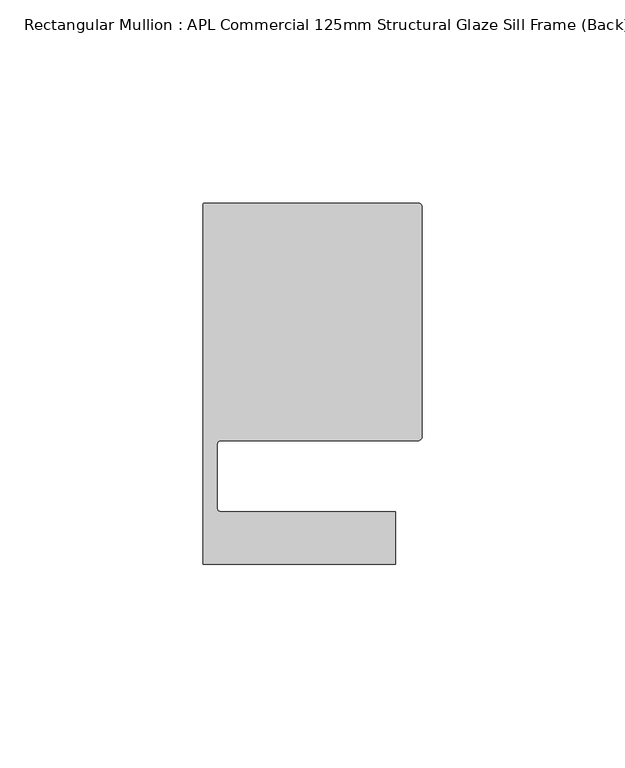
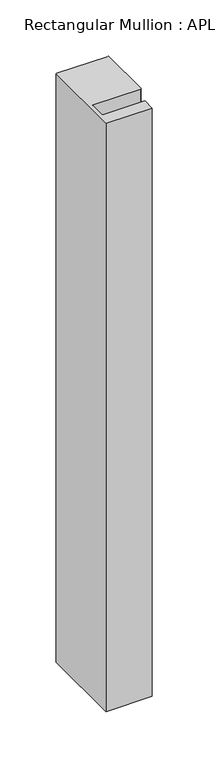
"""IFC4 building model written with IfcOpenShell, lengths in millimetres: member geometry, Rectangular Mullion : APL Commercial 125mm Structural Glaze Sill Frame (Back)."""

from ifc_helpers import new_model, si_unit, frame, origin, place, context, project, spatial, polyline, circle_curve, source, transform, mapped, element, save
from ifc_brep_helpers import plane_surface, cylinder_surface, revolved_surface, advanced_brep


def rectangular_mullion_apl_commercial_125mm_structural_glaze_574edb0e(model_context):
    return source(origin(), model_context, "Body", "AdvancedBrep", [
        advanced_brep(
        [(-53.5000029, 104.0, 0.0), (-54.0000029, 103.5, 0.0), (-54.0000029, 15.0004332, 0.0), (-6.5000029, 15.0004332, 0.0), (-6.5000029, 28.0004332, 0.0), (-49.5000029, 28.0004332, 0.0), (-50.5000029, 29.0004332, 0.0), (-50.5000029, 44.5010268, 0.0), (-49.5000004, 45.5010268, 0.0), (-1.0, 45.5010268, 0.0), (0.0, 46.5010268, 0.0), (0.0, 103.0, 0.0), (-1.0000025, 104.0, 0.0), (-53.5000029, 104.0, -638.9872059), (-1.0000025, 104.0, -638.9872059), (-2.5e-06, 103.0, -638.9872059), (0.0, 46.5010268, -638.9872059), (-1.0, 45.5010268, -638.9872059), (-49.5000004, 45.5010268, -638.9872059), (-50.5000004, 44.5010268, -638.9872059), (-50.5000029, 29.0004332, -638.9872059), (-49.5000029, 28.0004332, -638.9872059), (-6.5000029, 28.0004332, -638.9872059), (-6.5000029, 15.0004332, -638.9872059), (-54.0000029, 15.0004332, -638.9872059), (-54.0000029, 103.5, -638.9872059)],
        [
            (0, 1, circle_curve(frame((-53.5000029, 103.5, 0.0), z_axis=(0.0, 0.0, 1.0), x_axis=(0.0, 1.0, 0.0)), 0.5)),
            (1, 2),
            (2, 3),
            (3, 4),
            (4, 5),
            (5, 6, circle_curve(frame((-49.5000029, 29.0004332, 0.0), z_axis=(0.0, 0.0, -1.0), x_axis=(0.0, -1.0, 0.0)), 1.0)),
            (6, 7),
            (7, 8, circle_curve(frame((-49.5000004, 44.5010268, 0.0), z_axis=(0.0, 0.0, -1.0), x_axis=(-0.9999999999998819, 4.863123717036027e-07, 0.0)), 1.0)),
            (8, 9),
            (9, 10, circle_curve(frame((-1.0, 46.5010268, 0.0), z_axis=(0.0, 0.0, 1.0), x_axis=(0.0, -1.0, 0.0)), 1.0)),
            (10, 11),
            (11, 12, circle_curve(frame((-1.0000025, 103.0, 0.0), z_axis=(0.0, 0.0, 1.0), x_axis=(0.9999999999996143, 8.78371761103865e-07, 0.0)), 1.0)),
            (12, 0),
            (13, 14),
            (14, 15, circle_curve(frame((-1.0000025, 103.0, -638.9872059), z_axis=(0.0, 0.0, -1.0), x_axis=(0.9999999999996143, 8.78371761103865e-07, 0.0)), 1.0)),
            (15, 16),
            (16, 17, circle_curve(frame((-1.0, 46.5010268, -638.9872059), z_axis=(0.0, 0.0, -1.0), x_axis=(0.0, -1.0, 0.0)), 1.0)),
            (17, 18),
            (18, 19, circle_curve(frame((-49.5000004, 44.5010268, -638.9872059), z_axis=(0.0, 0.0, 1.0), x_axis=(-0.9999999999998819, 4.863123717036027e-07, 0.0)), 1.0)),
            (19, 20),
            (20, 21, circle_curve(frame((-49.5000029, 29.0004332, -638.9872059), z_axis=(0.0, 0.0, 1.0), x_axis=(0.0, -1.0, 0.0)), 1.0)),
            (21, 22),
            (22, 23),
            (23, 24),
            (24, 25),
            (25, 13, circle_curve(frame((-53.5000029, 103.5, -638.9872059), z_axis=(0.0, 0.0, -1.0), x_axis=(0.0, 1.0, 0.0)), 0.5)),
            (0, 13),
            (25, 1),
            (24, 2),
            (23, 3),
            (22, 4),
            (21, 5),
            (20, 6),
            (19, 7),
            (18, 8),
            (17, 9),
            (16, 10),
            (15, 11),
            (14, 12),
        ],
        [
            plane_surface(frame((0.0, -116.986179, 0.0), z_axis=(0.0, 0.0, 1.0), x_axis=(-1.0, 0.0, 0.0))),
            plane_surface(frame((0.0, -116.986179, -638.9872059), z_axis=(0.0, 0.0, -1.0), x_axis=(-1.0, 0.0, 0.0))),
            cylinder_surface(frame((-53.5000029, 103.5, 0.0), z_axis=(0.0, 0.0, 1.0), x_axis=(0.0, 1.0, 0.0)), 0.5),
            plane_surface(frame((-54.0000029, 103.5, 0.0), z_axis=(-1.0, 0.0, 0.0), x_axis=(0.0, 0.0, -1.0))),
            plane_surface(frame((-54.0000029, 15.0004332, 0.0), z_axis=(0.0, -1.0, 0.0), x_axis=(0.0, 0.0, -1.0))),
            plane_surface(frame((-6.5000029, 15.0004332, 0.0), z_axis=(1.0, 0.0, 0.0), x_axis=(0.0, 0.0, -1.0))),
            plane_surface(frame((-6.5000029, 28.0004332, 0.0), z_axis=(0.0, 1.0, 0.0), x_axis=(0.0, 0.0, -1.0))),
            revolved_surface(polyline([(-49.5000029, 28.0004332, -638.9872059), (-49.5000029, 28.0004332, 0.0)]), (-49.5000029, 29.0004332, 0.0), (0.0, 0.0, -1.0)),
            plane_surface(frame((-50.5000029, 29.0004332, 0.0), z_axis=(1.0, 0.0, 0.0), x_axis=(0.0, 0.0, -1.0))),
            revolved_surface(polyline([(-50.50000039999988, 44.50102728631237, -638.9872059000003), (-50.50000039999988, 44.50102728631237, 0.0)]), (-49.5000004, 44.5010268, 0.0), (0.0, 0.0, -1.0000000000000002)),
            plane_surface(frame((-49.5000004, 45.5010268, 0.0), z_axis=(0.0, -1.0, 0.0), x_axis=(0.0, 0.0, -1.0))),
            cylinder_surface(frame((-1.0, 46.5010268, 0.0), z_axis=(0.0, 0.0, 1.0), x_axis=(0.0, -1.0, 0.0)), 1.0),
            plane_surface(frame((0.0, 46.5010268, 0.0), z_axis=(1.0, 0.0, 0.0), x_axis=(0.0, 0.0, -1.0))),
            cylinder_surface(frame((-1.0000025, 103.0, 0.0), z_axis=(0.0, 0.0, 1.0000000000000002), x_axis=(0.9999999999996143, 8.78371761103865e-07, 0.0)), 1.0),
            plane_surface(frame((-1.0000025, 104.0, 0.0), z_axis=(0.0, 1.0, 0.0), x_axis=(0.0, 0.0, -1.0))),
        ],
        [
            (0, [[1, 2, 3, 4, 5, 6, 7, 8, 9, 10, 11, 12, 13]]),
            (1, [[14, 15, 16, 17, 18, 19, 20, 21, 22, 23, 24, 25, 26]]),
            (2, [[-1, 27, -26, 28]]),
            (3, [[-2, -28, -25, 29]]),
            (4, [[-3, -29, -24, 30]]),
            (5, [[-4, -30, -23, 31]]),
            (6, [[-5, -31, -22, 32]]),
            (7, [[-6, -32, -21, 33]]),
            (8, [[-7, -33, -20, 34]]),
            (9, [[-8, -34, -19, 35]]),
            (10, [[-9, -35, -18, 36]]),
            (11, [[-10, -36, -17, 37]]),
            (12, [[-11, -37, -16, 38]]),
            (13, [[-12, -38, -15, 39]]),
            (14, [[-13, -39, -14, -27]]),
        ],
    ),
    ])


if __name__ == "__main__":
    model = new_model("IFC4")
    model_context = context("Model", 3, world=origin())
    ifc_project = project(units=[si_unit("LENGTHUNIT", "METRE", prefix="MILLI")], contexts=[model_context])
    site = spatial("IfcSite", under=ifc_project)
    building = spatial("IfcBuilding", under=site)
    placement = place(None, origin())
    rectangular_mullion_apl_commercial_125mm_structural_glaze_shape = rectangular_mullion_apl_commercial_125mm_structural_glaze_574edb0e(model_context)
    element("IfcMember", 1, ObjectType="Rectangular Mullion : APL Commercial 125mm Structural Glaze Sill Frame (Back)", at=placement, inside=building, context=model_context, shape_type="MappedRepresentation", body=[
        mapped(rectangular_mullion_apl_commercial_125mm_structural_glaze_shape, transform((0.0, 0.0, 0.0), x_axis=(1.0, 0.0, 0.0), y_axis=(0.0, 1.0, 0.0), z_axis=(0.0, 0.0, 1.0))),
    ])
    save(model, "model.ifc")
